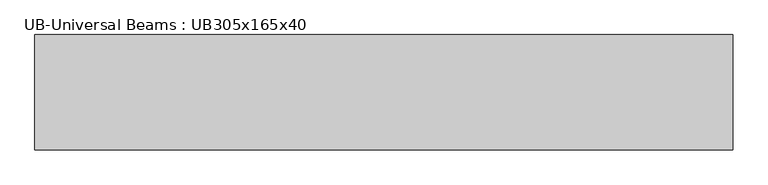
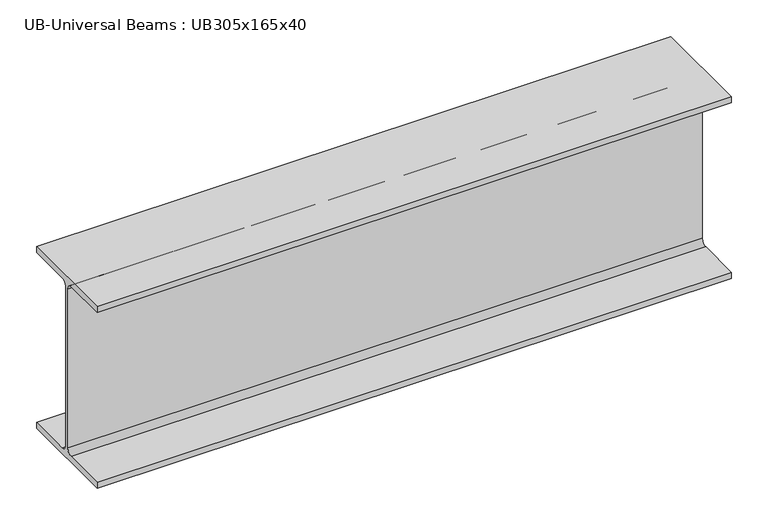
"""IFC4 building model written with IfcOpenShell, lengths in millimetres: beam geometry, UB-Universal Beams : UB305x165x40."""

from ifc_helpers import new_model, si_unit, point, frame, frame_2d, origin, place, context, project, spatial, polyline, circle_curve, trimmed, segment, composite_curve, outline, extrude, source, transform, mapped, element, save


def ub_universal_beams_ub305x165x40_23b2df4c(model_context):
    return source(origin(), model_context, "Body", "SweptSolid", [
        extrude(outline(composite_curve([segment(polyline([(82.5, -141.5), (82.5, -151.7), (-82.5, -151.7), (-82.5, -141.5), (-11.9, -141.5)]), True, "CONTINUOUS"), segment(trimmed(circle_curve(frame_2d((-11.9, -132.6)), 8.9), [point((-11.9, -141.5))], [point((-3.0, -132.6))], True, "CARTESIAN"), True, "CONTINUOUS"), segment(polyline([(-3.0, -132.6), (-3.0, 132.6)]), True, "CONTINUOUS"), segment(trimmed(circle_curve(frame_2d((-11.9, 132.6)), 8.9), [point((-3.0, 132.6))], [point((-11.9, 141.5))], True, "CARTESIAN"), True, "CONTINUOUS"), segment(polyline([(-11.9, 141.5), (-82.5, 141.5), (-82.5, 151.7), (82.5, 151.7), (82.5, 141.5), (11.9, 141.5)]), True, "CONTINUOUS"), segment(trimmed(circle_curve(frame_2d((11.9, 132.6)), 8.9), [point((11.9, 141.5))], [point((3.0, 132.6))], True, "CARTESIAN"), True, "CONTINUOUS"), segment(polyline([(3.0, 132.6), (3.0, -132.6)]), True, "CONTINUOUS"), segment(trimmed(circle_curve(frame_2d((11.9, -132.6)), 8.9), [point((3.0, -132.6))], [point((11.9, -141.5))], True, "CARTESIAN"), True, "CONTINUOUS"), segment(polyline([(11.9, -141.5), (82.5, -141.5)]), True, "CONTINUOUS")], self_intersect=False)), frame((-500.0, 0.0, 0.0), z_axis=(1.0, 0.0, 0.0), x_axis=(0.0, 1.0, 0.0)), (0.0, 0.0, 1.0), 1000.0),
    ])


if __name__ == "__main__":
    model = new_model("IFC4")
    model_context = context("Model", 3, world=origin())
    ifc_project = project(units=[si_unit("LENGTHUNIT", "METRE", prefix="MILLI")], contexts=[model_context])
    site = spatial("IfcSite", under=ifc_project)
    building = spatial("IfcBuilding", under=site)
    placement = place(None, origin())
    ub_universal_beams_ub305x165x40_shape = ub_universal_beams_ub305x165x40_23b2df4c(model_context)
    element("IfcBeam", 1, ObjectType="UB-Universal Beams : UB305x165x40", at=placement, inside=building, context=model_context, shape_type="MappedRepresentation", body=[
        mapped(ub_universal_beams_ub305x165x40_shape, transform((0.0, 0.0, 0.0), x_axis=(1.0, 0.0, 0.0), y_axis=(0.0, 1.0, 0.0), z_axis=(0.0, 0.0, 1.0))),
    ])
    save(model, "model.ifc")
